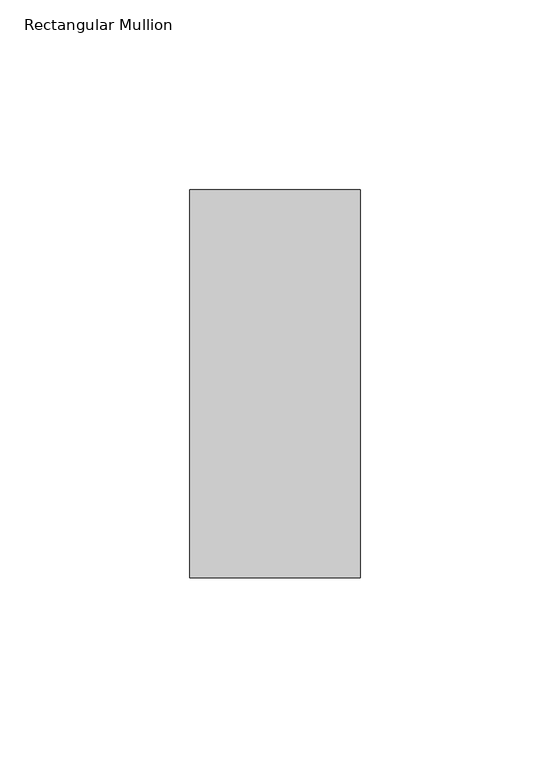
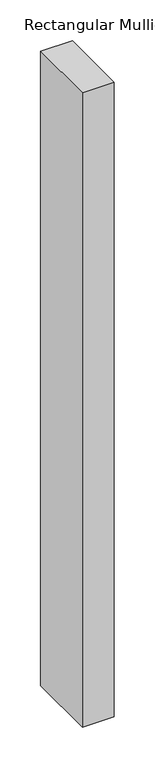
"""IFC4 building model written with IfcOpenShell, lengths in millimetres: member geometry, Rectangular Mullion."""

from ifc_helpers import new_model, si_unit, frame, origin, place, context, project, spatial, polyline, outline, extrude, source, transform, mapped, element, save


def rectangular_mullion_b73cc2cb(model_context):
    return source(origin(), model_context, "Body", "SweptSolid", [
        extrude(outline(polyline([(-45.0, 66.73125), (0.0, 66.73125), (0.0, -35.73125), (-45.0, -35.73125), (-45.0, 66.73125)])), frame((0.0, 0.0, -948.896875), z_axis=(0.0, 0.0, 1.0), x_axis=(1.0, 0.0, 0.0)), (0.0, 0.0, 1.0), 948.896875),
    ])


if __name__ == "__main__":
    model = new_model("IFC4")
    model_context = context("Model", 3, world=origin())
    ifc_project = project(units=[si_unit("LENGTHUNIT", "METRE", prefix="MILLI")], contexts=[model_context])
    site = spatial("IfcSite", under=ifc_project)
    building = spatial("IfcBuilding", under=site)
    placement = place(None, origin())
    rectangular_mullion_shape = rectangular_mullion_b73cc2cb(model_context)
    element("IfcMember", 1, ObjectType="Rectangular Mullion", at=placement, inside=building, context=model_context, shape_type="MappedRepresentation", body=[
        mapped(rectangular_mullion_shape, transform((0.0, 0.0, 0.0), x_axis=(1.0, 0.0, 0.0), y_axis=(0.0, 1.0, 0.0), z_axis=(0.0, 0.0, 1.0))),
    ])
    save(model, "model.ifc")
